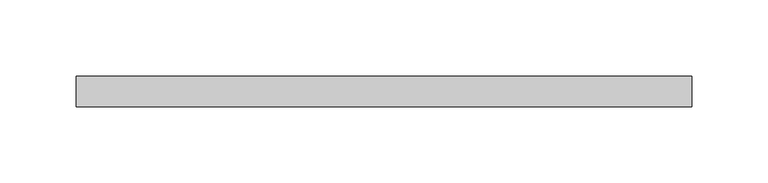
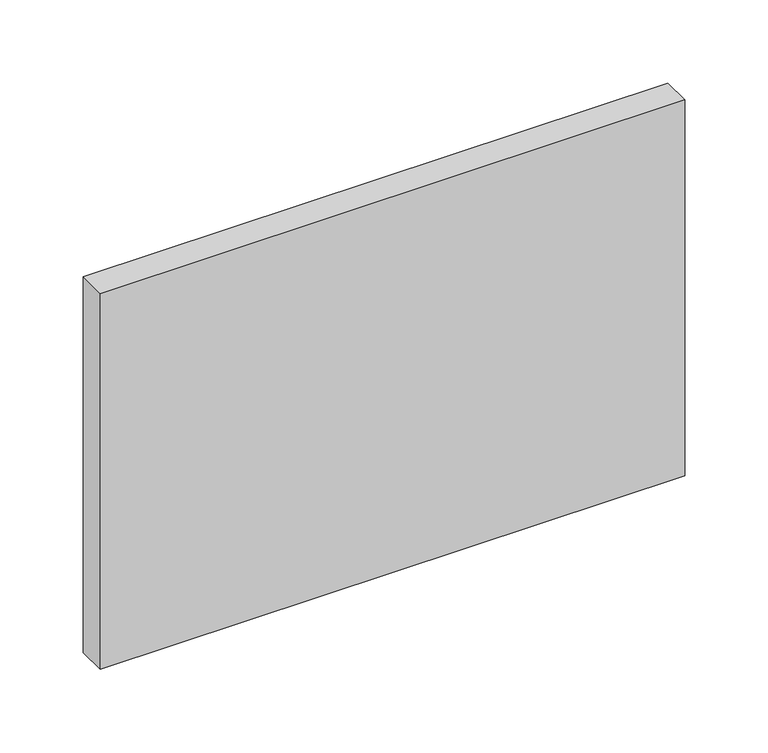
"""IFC4 building model written with IfcOpenShell, lengths in millimetres: plate geometry."""

from ifc_helpers import new_model, si_unit, origin, origin_with_axes, place, context, project, spatial, polyline, outline, extrude, source, transform, mapped, element, save


def plate_e2f39fff(model_context):
    return source(origin(), model_context, "Body", "SweptSolid", [
        extrude(outline(polyline([(202.3913043, 70.0), (-202.3913043, 70.0), (-202.3913043, 90.0), (202.3913043, 90.0), (202.3913043, 70.0)])), origin_with_axes(), (0.0, 0.0, 1.0), 274.9746456),
    ])


if __name__ == "__main__":
    model = new_model("IFC4")
    model_context = context("Model", 3, world=origin())
    ifc_project = project(units=[si_unit("LENGTHUNIT", "METRE", prefix="MILLI")], contexts=[model_context])
    site = spatial("IfcSite", under=ifc_project)
    building = spatial("IfcBuilding", under=site)
    placement = place(None, origin())
    plate_shape = plate_e2f39fff(model_context)
    element("IfcPlate", 1, at=placement, inside=building, context=model_context, shape_type="MappedRepresentation", body=[
        mapped(plate_shape, transform((0.0, 0.0, 0.0), x_axis=(1.0, 0.0, 0.0), y_axis=(0.0, 1.0, 0.0), z_axis=(0.0, 0.0, 1.0))),
    ])
    save(model, "model.ifc")
